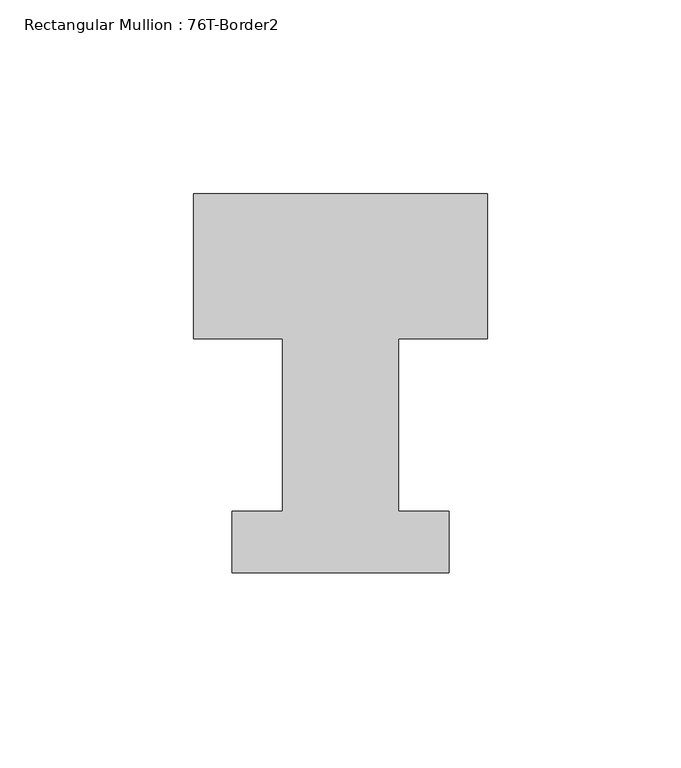
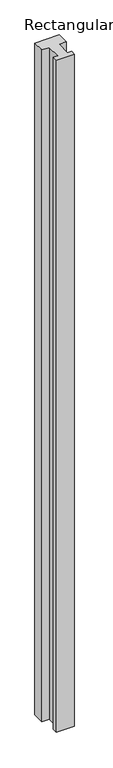
"""IFC4 building model written with IfcOpenShell, lengths in millimetres: member geometry, Rectangular Mullion : 76T-Border2."""

from ifc_helpers import new_model, si_unit, frame, origin, place, context, project, spatial, polyline, outline, extrude, source, transform, mapped, element, save


def rectangular_mullion_76t_border2_c12a2f48(model_context):
    return source(origin(), model_context, "Body", "SweptSolid", [
        extrude(outline(polyline([(0.0, 38.0), (0.0, 0.5), (-23.0, 0.5), (-23.0, -44.0), (-10.0, -44.0), (-10.0, -60.0), (-66.0, -60.0), (-66.0, -44.0), (-53.0, -44.0), (-53.0, 0.5), (-76.0, 0.5), (-76.0, 38.0), (0.0, 38.0)])), frame((0.0, 0.0, -2200.0), z_axis=(0.0, 0.0, 1.0), x_axis=(1.0, 0.0, 0.0)), (0.0, 0.0, 1.0), 2200.0),
    ])


if __name__ == "__main__":
    model = new_model("IFC4")
    model_context = context("Model", 3, world=origin())
    ifc_project = project(units=[si_unit("LENGTHUNIT", "METRE", prefix="MILLI")], contexts=[model_context])
    site = spatial("IfcSite", under=ifc_project)
    building = spatial("IfcBuilding", under=site)
    placement = place(None, origin())
    rectangular_mullion_76t_border2_shape = rectangular_mullion_76t_border2_c12a2f48(model_context)
    element("IfcMember", 1, ObjectType="Rectangular Mullion : 76T-Border2", at=placement, inside=building, context=model_context, shape_type="MappedRepresentation", body=[
        mapped(rectangular_mullion_76t_border2_shape, transform((0.0, 0.0, 0.0), x_axis=(1.0, 0.0, 0.0), y_axis=(0.0, 1.0, 0.0), z_axis=(0.0, 0.0, 1.0))),
    ])
    save(model, "model.ifc")
